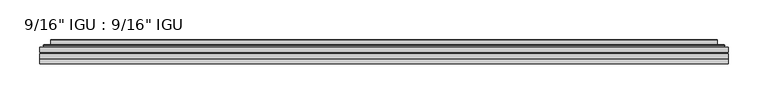
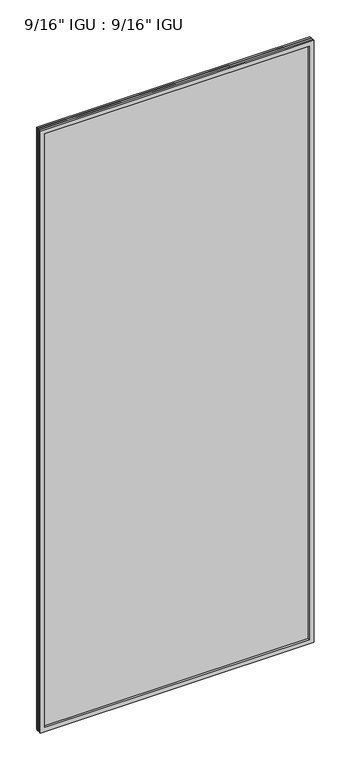
"""IFC4 building model written with IfcOpenShell, lengths in millimetres: plate geometry."""

import ifcopenshell
import ifcopenshell.guid

model = None  # the IFC model being written
_history = None  # IfcOwnerHistory: only IFC2X3 demands one
_inside = {}  # id of a spatial element -> (the spatial element, [elements in it])
_under = {}  # id of a project, library or spatial element -> (it, [spatial elements below it])
_declared = {}  # id of a project -> (the project, [libraries it declares])
_typed = {}  # id of a type object -> (the type object, [elements of that type])
_made_of = {}  # id of a material, layer set ... -> (it, [elements and type objects made of it])


def new_model(schema):
    """Start an empty IFC model of exactly this schema.

    Asked for "IFC4X3", IfcOpenShell would pick the latest addendum, in which some entities
    have other attributes; the version numbers below select the first issue.
    IFC2X3 requires an IfcOwnerHistory on every rooted entity: one is made here for all.
    """
    global model, _history
    if schema == "IFC4X3":
        model = ifcopenshell.file(schema_version=(4, 3, 0, 0))
    else:
        model = ifcopenshell.file(schema=schema)
    _inside.clear()
    _under.clear()
    _declared.clear()
    _typed.clear()
    _made_of.clear()
    _history = None
    if model.schema == "IFC2X3":
        org = make("IfcOrganization", Name="unknown")
        user = make(
            "IfcPersonAndOrganization",
            ThePerson=make("IfcPerson", FamilyName="unknown"),
            TheOrganization=org,
        )
        app = make(
            "IfcApplication",
            ApplicationDeveloper=org,
            Version="unknown",
            ApplicationFullName="unknown",
            ApplicationIdentifier="unknown",
        )
        _history = make(
            "IfcOwnerHistory",
            OwningUser=user,
            OwningApplication=app,
            ChangeAction="ADDED",
            CreationDate=0,
        )
    return model


def make(cls, **values):
    """One entity of the class cls with the attributes given. An attribute that is None is left unset."""
    return model.create_entity(
        cls, **{name: value for name, value in values.items() if value is not None}
    )


def rooted(cls, **values):
    """An entity with a GlobalId (a new one), such as an element, a storey or a relation."""
    return make(cls, GlobalId=ifcopenshell.guid.new(), OwnerHistory=_history, **values)


def si_unit(unit_type, name, prefix=None):
    """IfcSIUnit, for example si_unit("LENGTHUNIT", "METRE", prefix="MILLI")."""
    return make("IfcSIUnit", UnitType=unit_type, Prefix=prefix, Name=name)


def assignment(units):
    """IfcUnitAssignment: the units of a project."""
    return None if units is None else make("IfcUnitAssignment", Units=units)


def point(xyz):
    """IfcCartesianPoint."""
    return None if xyz is None else make("IfcCartesianPoint", Coordinates=xyz)


def direction(xyz):
    """IfcDirection."""
    return None if xyz is None else make("IfcDirection", DirectionRatios=xyz)


def frame(location, z_axis=None, x_axis=None):
    """IfcAxis2Placement3D, a coordinate frame: its origin and axes. An axis left out is left unset."""
    return make(
        "IfcAxis2Placement3D",
        Location=point(location),
        Axis=direction(z_axis),
        RefDirection=direction(x_axis),
    )


def origin():
    """The frame at (0, 0, 0) with its axes left unset."""
    return frame((0.0, 0.0, 0.0))


def place(relative_to, where):
    """IfcLocalPlacement: puts the frame where relative to a parent placement (None: the world)."""
    return make(
        "IfcLocalPlacement", PlacementRelTo=relative_to, RelativePlacement=where
    )


def context(
    kind, dimensions, precision=None, world=None, true_north=None, identifier=None
):
    """IfcGeometricRepresentationContext, for example the 3D "Model" context."""
    return make(
        "IfcGeometricRepresentationContext",
        ContextIdentifier=identifier,
        ContextType=kind,
        CoordinateSpaceDimension=dimensions,
        Precision=precision,
        WorldCoordinateSystem=world,
        TrueNorth=true_north,
    )


def project(units=None, contexts=None):
    """IfcProject with its units and contexts."""
    return rooted(
        "IfcProject",
        Name="project",
        RepresentationContexts=contexts,
        UnitsInContext=assignment(units),
    )


def spatial(cls, under=None, at=None, **own):
    """A site, building, storey or space (cls), placed at a placement, below another one or the project."""
    s = rooted(cls, ObjectPlacement=at, **own)
    if under is not None:
        _under.setdefault(under.id(), (under, []))[1].append(s)
    return s


def polyline(points):
    """IfcPolyline through the points."""
    return make("IfcPolyline", Points=[point(p) for p in points])


def ellipse_curve(where, semi_axis1, semi_axis2):
    """IfcEllipse in the frame where."""
    return make(
        "IfcEllipse", Position=where, SemiAxis1=semi_axis1, SemiAxis2=semi_axis2
    )


def outline(outer, holes=None, kind="AREA"):
    """IfcArbitraryClosedProfileDef: a profile drawn as a closed curve; with holes, ...WithVoids."""
    if holes is None:
        return make("IfcArbitraryClosedProfileDef", ProfileType=kind, OuterCurve=outer)
    return make(
        "IfcArbitraryProfileDefWithVoids",
        ProfileType=kind,
        OuterCurve=outer,
        InnerCurves=holes,
    )


def extrude(swept, where, along, depth):
    """IfcExtrudedAreaSolid: the profile swept, set in the frame where, extruded along a direction by depth."""
    return make(
        "IfcExtrudedAreaSolid",
        SweptArea=swept,
        Position=where,
        ExtrudedDirection=direction(along),
        Depth=depth,
    )


def faces_of(points, faces, orient=None, outer=None):
    """IfcFace entities. A face is a list of loops; a loop is a list of indices into points, from 0.

    orient and outer hold one flag for each loop. By default every Orientation is true, the
    first loop of a face is its IfcFaceOuterBound and the others are IfcFaceBound.
    """
    made = []
    for i, loops in enumerate(faces):
        bounds = []
        for j, loop in enumerate(loops):
            is_outer = j == 0 if outer is None else outer[i][j]
            bounds.append(
                make(
                    "IfcFaceOuterBound" if is_outer else "IfcFaceBound",
                    Bound=make("IfcPolyLoop", Polygon=[points[k] for k in loop]),
                    Orientation=True if orient is None else orient[i][j],
                )
            )
        made.append(make("IfcFace", Bounds=bounds))
    return made


def faceted_brep(points, faces, orient=None, outer=None, voids=None):
    """IfcFacetedBrep: a solid bounded by flat faces; with voids (closed shells), ...WithVoids."""
    shared = [point(p) for p in points]
    hull = make("IfcClosedShell", CfsFaces=faces_of(shared, faces, orient, outer))
    if voids is None:
        return make("IfcFacetedBrep", Outer=hull)
    return make(
        "IfcFacetedBrepWithVoids",
        Outer=hull,
        Voids=[
            make(cls, CfsFaces=faces_of(shared, fs, o, b)) for cls, fs, o, b in voids
        ],
    )


def shape(context_of_items, identifier, shape_type, items):
    """IfcShapeRepresentation: the items that make up one representation, for example the "Body"."""
    return make(
        "IfcShapeRepresentation",
        ContextOfItems=context_of_items,
        RepresentationIdentifier=identifier,
        RepresentationType=shape_type,
        Items=items,
    )


def source(mapping_origin, context_of_items, identifier, shape_type, items):
    """IfcRepresentationMap: a shape defined once, which mapped items show again and again."""
    return make(
        "IfcRepresentationMap",
        MappingOrigin=mapping_origin,
        MappedRepresentation=shape(context_of_items, identifier, shape_type, items),
    )


def transform(
    local_origin,
    x_axis=None,
    y_axis=None,
    z_axis=None,
    scale=None,
    scale2=None,
    scale3=None,
    uniform=True,
):
    """IfcCartesianTransformationOperator3D, or its non-uniform kind. x_axis, y_axis, z_axis: its Axis1, 2, 3."""
    if uniform:
        return make(
            "IfcCartesianTransformationOperator3D",
            Axis1=direction(x_axis),
            Axis2=direction(y_axis),
            LocalOrigin=point(local_origin),
            Scale=scale,
            Axis3=direction(z_axis),
        )
    return make(
        "IfcCartesianTransformationOperator3DnonUniform",
        Axis1=direction(x_axis),
        Axis2=direction(y_axis),
        LocalOrigin=point(local_origin),
        Scale=scale,
        Axis3=direction(z_axis),
        Scale2=scale2,
        Scale3=scale3,
    )


def mapped(mapping_source, mapping_target):
    """IfcMappedItem: shows the shape of a source again, moved by a transform."""
    return make(
        "IfcMappedItem", MappingSource=mapping_source, MappingTarget=mapping_target
    )


def made_of(thing, what):
    """Note that an element or type object is made of a material, layer set ...; save() writes the relation."""
    if what is not None:
        _made_of.setdefault(what.id(), (what, []))[1].append(thing)
    return thing


def element(
    cls,
    number,
    at=None,
    inside=None,
    cuts=None,
    type_object=None,
    material=None,
    context=None,
    identifier="Body",
    shape_type=None,
    held_by="IfcProductDefinitionShape",
    body=None,
    shapes=None,
    **own,
):
    """One element of the class cls, such as IfcWall. Its Tag is "e" and its number.

    at: its placement. inside: the storey or other place that contains it. cuts: it is an
    opening in that element (IfcRelVoidsElement). A single representation is given by context,
    identifier, shape_type and body (its items); several are given by shapes. held_by: the class
    of the entity that holds the representations. save() writes the other relations.
    """
    e = rooted(cls, Tag="e%d" % number, ObjectPlacement=at, **own)
    if body is not None:
        shapes = [shape(context, identifier, shape_type, body)]
    if shapes is not None:
        e.Representation = make(held_by, Representations=shapes)
    if inside is not None:
        _inside.setdefault(inside.id(), (inside, []))[1].append(e)
    if cuts is not None:
        rooted(
            "IfcRelVoidsElement", RelatingBuildingElement=cuts, RelatedOpeningElement=e
        )
    if type_object is not None:
        _typed.setdefault(type_object.id(), (type_object, []))[1].append(e)
    return made_of(e, material)


def aggregate(whole, parts):
    """IfcRelAggregates: a whole, such as a stair, and the parts it consists of."""
    return rooted("IfcRelAggregates", RelatingObject=whole, RelatedObjects=parts)


def save(model, path):
    """Write the relations noted so far, then the file.

    IfcRelAggregates (storeys below a building ...), IfcRelContainedInSpatialStructure (elements
    in a storey), IfcRelDefinesByType, IfcRelAssociatesMaterial and IfcRelDeclares: one each for
    every whole, place, type object, material and project.
    """
    for whole, parts in _under.values():
        aggregate(whole, parts)
    for where, things in _inside.values():
        rooted(
            "IfcRelContainedInSpatialStructure",
            RelatedElements=things,
            RelatingStructure=where,
        )
    for kind, things in _typed.values():
        rooted("IfcRelDefinesByType", RelatedObjects=things, RelatingType=kind)
    for what, things in _made_of.values():
        rooted("IfcRelAssociatesMaterial", RelatedObjects=things, RelatingMaterial=what)
    for by, libraries in _declared.values():
        rooted("IfcRelDeclares", RelatingContext=by, RelatedDefinitions=libraries)
    model.write(path)


def plane_surface(at):
    """IfcPlane: the flat surface through the origin of the frame at, square to its z axis."""
    return make("IfcPlane", Position=at)


def cylinder_surface(at, radius):
    """IfcCylindricalSurface: all points at the distance radius from the z axis of the frame at."""
    return make("IfcCylindricalSurface", Position=at, Radius=radius)


def advanced_brep(points, edges, surfaces, faces):
    """IfcAdvancedBrep: a solid bounded by faces that lie on surfaces and meet in shared edges.

    An edge is (start, end): straight between two places in points (the first is 0);
    or (start, end, curve); or (start, end, curve, False) where it runs against its curve.
    A face is (place in surfaces, loops), or (place, loops, False) where it looks against
    its surface's normal. A loop lists edges by number (the first is 1), with a minus sign
    where the edge is run from its end to its start. The first loop is the outer one.
    """
    corners = [point(p) for p in points]
    vertices = [make("IfcVertexPoint", VertexGeometry=c) for c in corners]
    made = []
    for start, end, *more in edges:
        made.append(
            make(
                "IfcEdgeCurve",
                EdgeStart=vertices[start],
                EdgeEnd=vertices[end],
                EdgeGeometry=more[0] if more else make("IfcPolyline", Points=[corners[start], corners[end]]),
                SameSense=more[1] if len(more) > 1 else True,
            )
        )
    hull = []
    for where, loops, *sense in faces:
        bounds = []
        for j, loop in enumerate(loops):
            ring = [make("IfcOrientedEdge", EdgeElement=made[abs(k) - 1], Orientation=k > 0) for k in loop]
            bounds.append(
                make(
                    "IfcFaceOuterBound" if j == 0 else "IfcFaceBound",
                    Bound=make("IfcEdgeLoop", EdgeList=ring),
                    Orientation=True,
                )
            )
        hull.append(make("IfcAdvancedFace", Bounds=bounds, FaceSurface=surfaces[where], SameSense=sense[0] if sense else True))
    return make("IfcAdvancedBrep", Outer=make("IfcClosedShell", CfsFaces=hull))


def plate_76a9849d(model_context):
    return source(origin(), model_context, "Body", "SolidModel", [
        extrude(outline(polyline([(434.989175, -54.78145), (434.989175, -61.1317818), (-434.975, -61.1317818), (-434.975, -54.78145), (434.989175, -54.78145)])), frame((0.0, 0.0, -14.2875), z_axis=(0.0, 0.0, 1.0), x_axis=(1.0, 0.0, 0.0)), (0.0, 0.0, 1.0), 2022.4787979),
        extrude(outline(polyline([(-434.975, -69.05625), (-434.975, -62.705745), (434.989175, -62.705745), (434.989175, -69.05625), (-434.975, -69.05625)])), frame((0.0, 0.0, -14.2875), z_axis=(0.0, 0.0, 1.0), x_axis=(1.0, 0.0, 0.0)), (0.0, 0.0, 1.0), 2022.4787979),
        faceted_brep([(-434.9877, -75.40625, 2008.2002), (-434.9877, -69.05625, 2008.2002), (-434.9877, -69.05625, -14.3002), (-434.9877, -75.40625, -14.3002), (434.9877, -69.05625, -14.3002), (434.9877, -75.40625, -14.3002), (434.9877, -69.05625, 2008.2002), (434.9877, -75.40625, 2008.2002), (-419.7897559, -69.05625, 0.8977441), (419.7897559, -69.05625, 0.8977441), (419.7897559, -69.05625, 1993.0022559), (-419.7897559, -69.05625, 1993.0022559), (-420.6821902, -75.40625, 1993.8946902), (420.6821902, -75.40625, 1993.8946902), (420.6821902, -75.40625, 0.0053098), (-420.6821902, -75.40625, 0.0053098)], [[[0, 1, 2, 3]], [[3, 2, 4, 5]], [[5, 4, 6, 7]], [[1, 6, 4, 2], [8, 9, 10, 11]], [[7, 6, 1, 0]], [[3, 5, 7, 0], [12, 13, 14, 15]], [[11, 12, 15, 8]], [[8, 15, 14, 9]], [[9, 14, 13, 10]], [[10, 13, 12, 11]]]),
        advanced_brep(
        [(-427.733719, -54.78145, 2000.946219), (-430.0879244, -52.7917833, 2003.3004244), (-430.0879244, -52.7917833, -9.4004244), (-427.733719, -54.78145, -7.046219), (-418.6593939, -50.941413, 1991.8718939), (-413.7245621, -54.78145, 1986.9370621), (-413.7245621, -54.78145, 6.9629379), (-418.6593939, -50.941413, 2.0281061), (-419.6914217, -45.5441819, 1992.9039217), (-419.6914217, -45.5441819, 0.9960783), (-420.6820784, -45.1452069, 1993.8945784), (-420.6820784, -45.1452069, 0.0054216), (-420.6820784, -51.60645, 1993.8945784), (-420.6820784, -51.60645, 0.0054216), (-429.0861349, -51.60645, 2002.2986349), (-429.0861349, -51.60645, -8.3986349), (430.0879244, -52.7917833, -9.4004244), (427.733719, -54.78145, -7.046219), (413.7245621, -54.78145, 6.9629379), (418.6593939, -50.941413, 2.0281061), (419.6914217, -45.5441819, 0.9960783), (420.6820784, -45.1452069, 0.0054216), (420.6820784, -51.60645, 0.0054216), (429.0861349, -51.60645, -8.3986349), (430.0879244, -52.7917833, 2003.3004244), (427.733719, -54.78145, 2000.946219), (413.7245621, -54.78145, 1986.9370621), (418.6593939, -50.941413, 1991.8718939), (419.6914217, -45.5441819, 1992.9039217), (420.6820784, -45.1452069, 1993.8945784), (420.6820784, -51.60645, 1993.8945784), (429.0861349, -51.60645, 2002.2986349)],
        [
            (0, 1, ellipse_curve(frame((-427.733719, -52.39385, 2000.946219), z_axis=(-0.7071067811865475, 0.0, -0.7071067811865475), x_axis=(-0.7071067811865474, 0.0, 0.7071067811865476)), 3.3765763, 2.3876)),
            (1, 2),
            (2, 3, ellipse_curve(frame((-427.733719, -52.39385, -7.046219), z_axis=(-0.7071067811865475, 0.0, 0.7071067811865475), x_axis=(0.7071067811865474, 0.0, 0.7071067811865476)), 3.3765763, 2.3876)),
            (3, 0),
            (4, 5),
            (5, 6),
            (6, 7),
            (7, 4),
            (8, 4),
            (7, 9),
            (9, 8),
            (10, 8, ellipse_curve(frame((-420.3151219, -45.6634423, 1993.5276219), z_axis=(-0.7071067811865475, 0.0, -0.7071067811865475), x_axis=(-0.7071067811865474, 0.0, 0.7071067811865476)), 0.8980256, 0.635)),
            (9, 11, ellipse_curve(frame((-420.3151219, -45.6634423, 0.3723781), z_axis=(-0.7071067811865475, 0.0, 0.7071067811865475), x_axis=(0.7071067811865474, 0.0, 0.7071067811865476)), 0.8980256, 0.635)),
            (11, 10),
            (12, 10),
            (11, 13),
            (13, 12),
            (1, 14, ellipse_curve(frame((-429.0861349, -52.62245, 2002.2986349), z_axis=(-0.7071067811865475, 0.0, -0.7071067811865475), x_axis=(-0.7071067811865474, 0.0, 0.7071067811865476)), 1.436841, 1.016)),
            (14, 15),
            (15, 2, ellipse_curve(frame((-429.0861349, -52.62245, -8.3986349), z_axis=(-0.7071067811865475, 0.0, 0.7071067811865475), x_axis=(0.7071067811865474, 0.0, 0.7071067811865476)), 1.436841, 1.016)),
            (2, 16),
            (16, 17, ellipse_curve(frame((427.733719, -52.39385, -7.046219), z_axis=(-0.7071067811865475, 0.0, -0.7071067811865475), x_axis=(-0.7071067811865476, 0.0, 0.7071067811865474)), 3.3765763, 2.3876)),
            (17, 3),
            (6, 18),
            (18, 19),
            (19, 7),
            (19, 20),
            (20, 9),
            (20, 21, ellipse_curve(frame((420.3151219, -45.6634423, 0.3723781), z_axis=(-0.7071067811865475, 0.0, -0.7071067811865475), x_axis=(-0.7071067811865476, 0.0, 0.7071067811865474)), 0.8980256, 0.635)),
            (21, 11),
            (21, 22),
            (22, 13),
            (15, 23),
            (23, 16, ellipse_curve(frame((429.0861349, -52.62245, -8.3986349), z_axis=(-0.7071067811865475, 0.0, -0.7071067811865475), x_axis=(-0.7071067811865476, 0.0, 0.7071067811865474)), 1.436841, 1.016)),
            (16, 24),
            (24, 25, ellipse_curve(frame((427.733719, -52.39385, 2000.946219), z_axis=(0.7071067811865475, 0.0, -0.7071067811865475), x_axis=(-0.7071067811865474, 0.0, -0.7071067811865476)), 3.3765763, 2.3876)),
            (25, 17),
            (18, 26),
            (26, 27),
            (27, 19),
            (27, 28),
            (28, 20),
            (28, 29, ellipse_curve(frame((420.3151219, -45.6634423, 1993.5276219), z_axis=(0.7071067811865475, 0.0, -0.7071067811865475), x_axis=(-0.7071067811865474, 0.0, -0.7071067811865476)), 0.8980256, 0.635)),
            (29, 21),
            (29, 30),
            (30, 22),
            (23, 31),
            (31, 24, ellipse_curve(frame((429.0861349, -52.62245, 2002.2986349), z_axis=(0.7071067811865475, 0.0, -0.7071067811865475), x_axis=(-0.7071067811865474, 0.0, -0.7071067811865476)), 1.436841, 1.016)),
            (24, 1),
            (0, 25),
            (5, 26),
            (4, 27),
            (8, 28),
            (10, 29),
            (12, 30),
            (14, 31),
        ],
        [
            cylinder_surface(frame((-427.733719, -52.39385, 2025.65), z_axis=(0.0, 0.0, 1.0), x_axis=(-1.0, 0.0, 0.0)), 2.3876),
            plane_surface(frame((-413.7245621, -54.78145, 1986.9370621), z_axis=(0.6141233906514794, 0.7892100234124821, 0.0), x_axis=(0.0, 0.0, -1.0))),
            plane_surface(frame((-418.6593939, -50.941413, 1991.8718939), z_axis=(0.9822050625507728, 0.18781164793386088, 0.0), x_axis=(0.0, 0.0, -1.0))),
            cylinder_surface(frame((-420.3151219, -45.6634423, 2025.65), z_axis=(0.0, 0.0, 1.0), x_axis=(-1.0, 0.0, 0.0)), 0.635),
            plane_surface(frame((-420.6820784, -45.1452069, 1993.8945784), z_axis=(-1.0, 0.0, 0.0), x_axis=(0.0, 0.0, -1.0))),
            cylinder_surface(frame((-429.0861349, -52.62245, 2025.65), z_axis=(0.0, 0.0, 1.0), x_axis=(-1.0, 0.0, 0.0)), 1.016),
            cylinder_surface(frame((-452.4375, -52.39385, -7.046219), z_axis=(-1.0, 0.0, 0.0), x_axis=(0.0, 0.0, -1.0)), 2.3876),
            plane_surface(frame((-413.7245621, -54.78145, 6.9629379), z_axis=(0.0, 0.7892100234124841, 0.6141233906514768), x_axis=(1.0, 0.0, 0.0))),
            plane_surface(frame((-418.6593939, -50.941413, 2.0281061), z_axis=(0.0, 0.18781164793386404, 0.9822050625507722), x_axis=(1.0, 0.0, 0.0))),
            cylinder_surface(frame((-452.4375, -45.6634423, 0.3723781), z_axis=(-1.0, 0.0, 0.0), x_axis=(0.0, 0.0, -1.0)), 0.635),
            plane_surface(frame((-420.6820784, -45.1452069, 0.0054216), z_axis=(0.0, 0.0, -1.0), x_axis=(1.0, 0.0, 0.0))),
            cylinder_surface(frame((-452.4375, -52.62245, -8.3986349), z_axis=(-1.0, 0.0, 0.0), x_axis=(0.0, 0.0, -1.0)), 1.016),
            cylinder_surface(frame((427.733719, -52.39385, -31.75), z_axis=(0.0, 0.0, -1.0), x_axis=(1.0, 0.0, 0.0)), 2.3876),
            plane_surface(frame((413.7245621, -54.78145, 6.9629379), z_axis=(-0.6141233906514743, 0.7892100234124861, 0.0), x_axis=(0.0, 0.0, 1.0))),
            plane_surface(frame((418.6593939, -50.941413, 2.0281061), z_axis=(-0.9822050625507717, 0.1878116479338672, 0.0), x_axis=(0.0, 0.0, 1.0))),
            cylinder_surface(frame((420.3151219, -45.6634423, -31.75), z_axis=(0.0, 0.0, -1.0), x_axis=(1.0, 0.0, 0.0)), 0.635),
            plane_surface(frame((420.6820784, -45.1452069, 0.0054216), z_axis=(1.0, 0.0, 0.0), x_axis=(0.0, 0.0, 1.0))),
            cylinder_surface(frame((429.0861349, -52.62245, -31.75), z_axis=(0.0, 0.0, -1.0), x_axis=(1.0, 0.0, 0.0)), 1.016),
            cylinder_surface(frame((452.4375, -52.39385, 2000.946219), z_axis=(1.0, 0.0, 0.0), x_axis=(0.0, 0.0, 1.0)), 2.3876),
            plane_surface(frame((427.733719, -54.78145, 2000.946219), z_axis=(0.0, -1.0, 0.0), x_axis=(-1.0, 0.0, 0.0))),
            plane_surface(frame((413.7245621, -54.78145, 1986.9370621), z_axis=(0.0, 0.7892100234124841, -0.6141233906514768), x_axis=(-1.0, 0.0, 0.0))),
            plane_surface(frame((418.6593939, -50.941413, 1991.8718939), z_axis=(0.0, 0.18781164793386404, -0.9822050625507722), x_axis=(-1.0, 0.0, 0.0))),
            cylinder_surface(frame((452.4375, -45.6634423, 1993.5276219), z_axis=(1.0, 0.0, 0.0), x_axis=(0.0, 0.0, 1.0)), 0.635),
            plane_surface(frame((420.6820784, -45.1452069, 1993.8945784), z_axis=(0.0, 0.0, 1.0), x_axis=(-1.0, 0.0, 0.0))),
            plane_surface(frame((420.6820784, -51.60645, 1993.8945784), z_axis=(0.0, 1.0, 0.0), x_axis=(-1.0, 0.0, 0.0))),
            cylinder_surface(frame((452.4375, -52.62245, 2002.2986349), z_axis=(1.0, 0.0, 0.0), x_axis=(0.0, 0.0, 1.0)), 1.016),
        ],
        [
            (0, [[1, 2, 3, 4]]),
            (1, [[5, 6, 7, 8]]),
            (2, [[9, -8, 10, 11]]),
            (3, [[12, -11, 13, 14]]),
            (4, [[15, -14, 16, 17]]),
            (5, [[18, 19, 20, -2]]),
            (6, [[-3, 21, 22, 23]]),
            (7, [[-7, 24, 25, 26]]),
            (8, [[-10, -26, 27, 28]]),
            (9, [[-13, -28, 29, 30]]),
            (10, [[-16, -30, 31, 32]]),
            (11, [[-20, 33, 34, -21]]),
            (12, [[-22, 35, 36, 37]]),
            (13, [[-25, 38, 39, 40]]),
            (14, [[-27, -40, 41, 42]]),
            (15, [[-29, -42, 43, 44]]),
            (16, [[-31, -44, 45, 46]]),
            (17, [[-34, 47, 48, -35]]),
            (18, [[-36, 49, -1, 50]]),
            (19, [[-23, -37, -50, -4], [51, -38, -24, -6]]),
            (20, [[-39, -51, -5, 52]]),
            (21, [[-41, -52, -9, 53]]),
            (22, [[-43, -53, -12, 54]]),
            (23, [[-45, -54, -15, 55]]),
            (24, [[56, -47, -33, -19], [-32, -46, -55, -17]]),
            (25, [[-48, -56, -18, -49]]),
        ],
    ),
    ])


if __name__ == "__main__":
    model = new_model("IFC4")
    model_context = context("Model", 3, world=origin())
    ifc_project = project(units=[si_unit("LENGTHUNIT", "METRE", prefix="MILLI")], contexts=[model_context])
    site = spatial("IfcSite", under=ifc_project)
    building = spatial("IfcBuilding", under=site)
    placement = place(None, origin())
    plate_shape = plate_76a9849d(model_context)
    element("IfcPlate", 1, ObjectType="9/16\" IGU : 9/16\" IGU", at=placement, inside=building, context=model_context, shape_type="MappedRepresentation", body=[
        mapped(plate_shape, transform((0.0, 0.0, 0.0), x_axis=(1.0, 0.0, 0.0), y_axis=(0.0, 1.0, 0.0), z_axis=(0.0, 0.0, 1.0))),
    ])
    save(model, "model.ifc")
